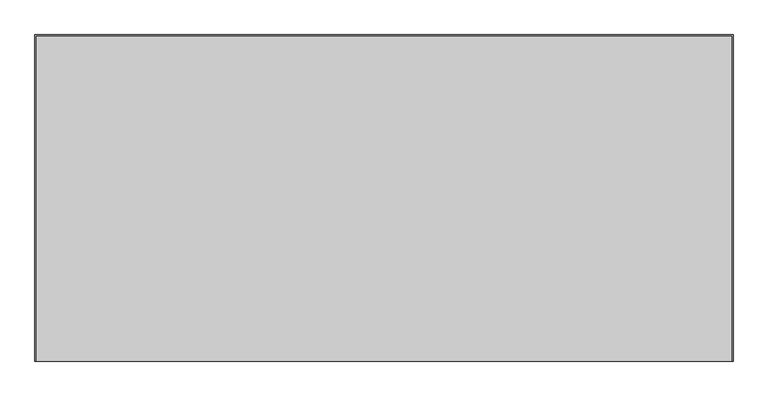
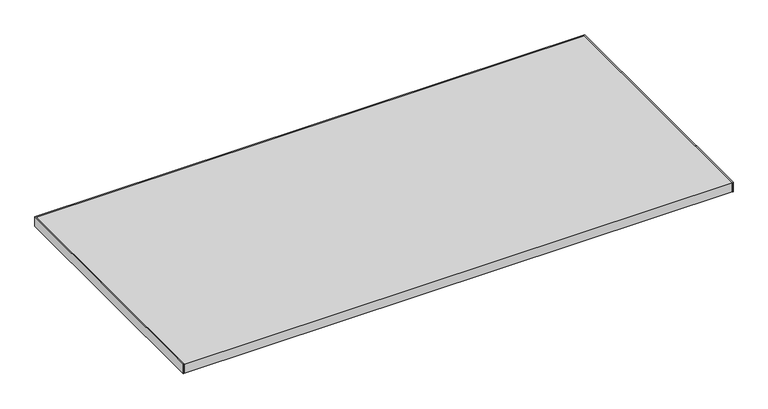
"""IFC4 building model written with IfcOpenShell, lengths in millimetres: furniture geometry."""

from ifc_helpers import new_model, si_unit, frame, origin, place, context, project, spatial, polyline, outline, extrude, source, transform, mapped, element, save


def furniture_463b8c41(model_context):
    return source(origin(), model_context, "Body", "SweptSolid", [
        extrude(outline(polyline([(2.0, 723.0), (2.0, 70.0461504), (0.0, 70.0461504), (0.0, 725.0), (1400.0, 725.0), (1400.0, 70.0461504), (1398.0, 70.0461504), (1398.0, 723.0), (2.0, 723.0)])), frame((0.0, 0.0, 695.0), z_axis=(0.0, 0.0, 1.0), x_axis=(1.0, 0.0, 0.0)), (0.0, 0.0, 1.0), 25.0),
        extrude(outline(polyline([(1398.0, 723.0), (1398.0, 70.0461504), (2.0, 70.0461504), (2.0, 723.0), (1398.0, 723.0)])), frame((0.0, 0.0, 695.0), z_axis=(0.0, 0.0, 1.0), x_axis=(1.0, 0.0, 0.0)), (0.0, 0.0, 1.0), 25.0),
    ])


if __name__ == "__main__":
    model = new_model("IFC4")
    model_context = context("Model", 3, world=origin())
    ifc_project = project(units=[si_unit("LENGTHUNIT", "METRE", prefix="MILLI")], contexts=[model_context])
    site = spatial("IfcSite", under=ifc_project)
    building = spatial("IfcBuilding", under=site)
    placement = place(None, origin())
    furniture_shape = furniture_463b8c41(model_context)
    element("IfcFurniture", 1, at=placement, inside=building, context=model_context, shape_type="MappedRepresentation", body=[
        mapped(furniture_shape, transform((0.0, 0.0, 0.0), x_axis=(1.0, 0.0, 0.0), y_axis=(0.0, 1.0, 0.0), z_axis=(0.0, 0.0, 1.0))),
    ])
    save(model, "model.ifc")
